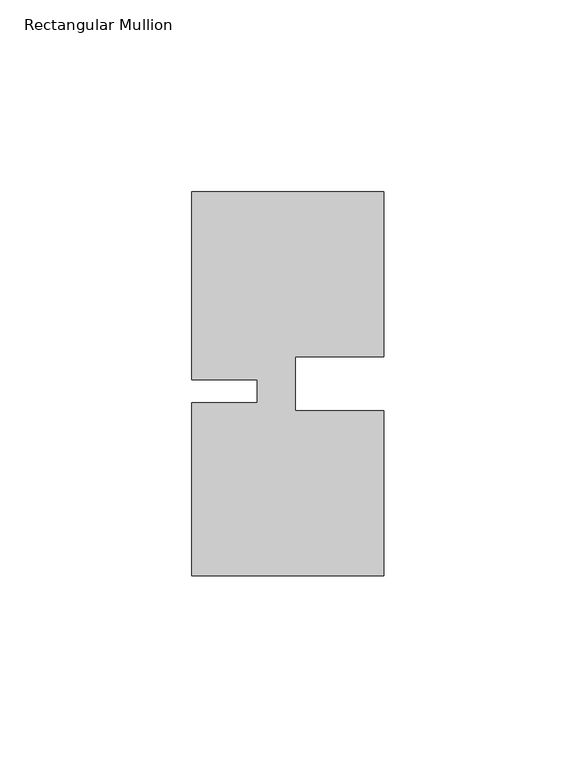
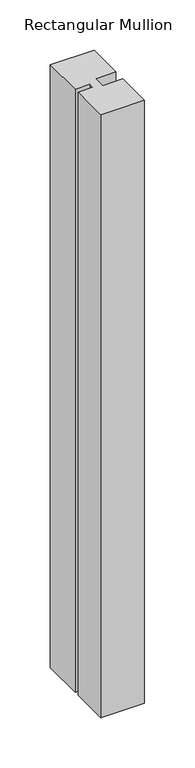
"""IFC4 building model written with IfcOpenShell, lengths in millimetres: member geometry, Rectangular Mullion."""

from ifc_helpers import new_model, si_unit, frame, origin, place, context, project, spatial, polyline, outline, extrude, source, transform, mapped, element, save


def rectangular_mullion_7ce7306e(model_context):
    return source(origin(), model_context, "Body", "SweptSolid", [
        extrude(outline(polyline([(-23.0000341, -5.000031), (-4.2e-06, -5.0000287), (0.0, -48.0000271), (-50.0, -48.000032), (-50.0000044, -3.000032), (-33.0004661, -3.0000303), (-33.0004667, 2.999987), (-50.000005, 2.9999853), (-50.0000098, 51.999968), (-3.44e-05, 51.999968), (-3.44e-05, 8.9999707), (-23.0000354, 8.9999684), (-23.0000341, -5.000031)])), frame((0.0, 0.0, -730.0000077), z_axis=(0.0, 0.0, 1.0), x_axis=(1.0, 0.0, 0.0)), (0.0, 0.0, 1.0), 730.0000077),
    ])


if __name__ == "__main__":
    model = new_model("IFC4")
    model_context = context("Model", 3, world=origin())
    ifc_project = project(units=[si_unit("LENGTHUNIT", "METRE", prefix="MILLI")], contexts=[model_context])
    site = spatial("IfcSite", under=ifc_project)
    building = spatial("IfcBuilding", under=site)
    placement = place(None, origin())
    rectangular_mullion_shape = rectangular_mullion_7ce7306e(model_context)
    element("IfcMember", 1, ObjectType="Rectangular Mullion", at=placement, inside=building, context=model_context, shape_type="MappedRepresentation", body=[
        mapped(rectangular_mullion_shape, transform((0.0, 0.0, 0.0), x_axis=(1.0, 0.0, 0.0), y_axis=(0.0, 1.0, 0.0), z_axis=(0.0, 0.0, 1.0))),
    ])
    save(model, "model.ifc")
